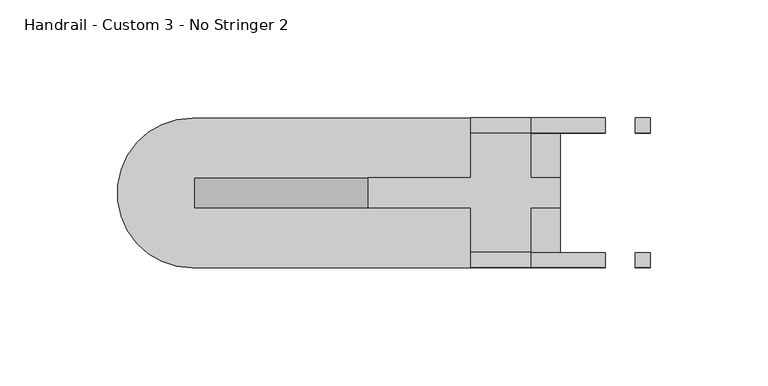
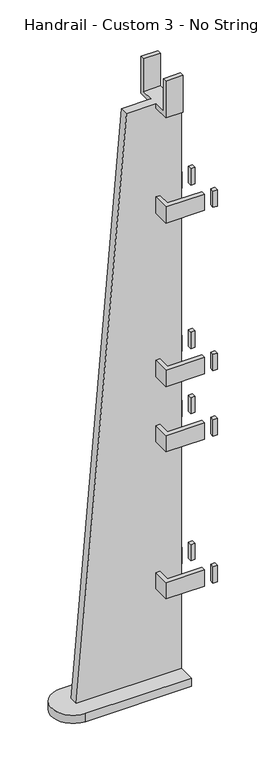
"""IFC4 building model written with IfcOpenShell, lengths in millimetres: railing geometry, Handrail - Custom 3 - No Stringer 2."""

from ifc_helpers import new_model, si_unit, frame, origin, place, context, project, spatial, circle_curve, faceted_brep, source, transform, mapped, element, save
from ifc_brep_helpers import plane_surface, cylinder_surface, advanced_brep


def handrail_custom_3_no_stringer_2_37a106b7(model_context):
    return source(origin(), model_context, "Body", "SolidModel", [
        advanced_brep(
        [(6940.6570471, 2633.7590883, 1073.0489048), (6984.0963422, 2633.7590883, 1073.0489048), (6984.0963422, 2633.7590883, 1066.6989048), (7009.4963422, 2633.7590883, 1066.6989048), (7009.4963422, 2633.7590883, 1073.0489048), (7022.1963422, 2633.7590883, 1073.0489048), (7022.1963422, 2633.7590883, 182.0333333), (6866.9573856, 2633.7590883, 182.0333333), (6984.0963422, 2633.7590883, 344.2001719), (6984.0963422, 2633.7590883, 318.8001719), (6990.4463422, 2633.7590883, 318.8001719), (6990.4463422, 2633.7590883, 344.2001719), (6984.0963422, 2633.7590883, 572.8001719), (6984.0963422, 2633.7590883, 547.4001719), (6990.4463422, 2633.7590883, 547.4001719), (6990.4463422, 2633.7590883, 572.8001719), (6984.0963422, 2633.7590883, 674.4001719), (6984.0963422, 2633.7590883, 649.0001719), (6990.4463422, 2633.7590883, 649.0001719), (6990.4463422, 2633.7590883, 674.4001719), (6984.0963422, 2633.7590883, 928.4001719), (6984.0963422, 2633.7590883, 903.0001719), (6990.4463422, 2633.7590883, 903.0001719), (6990.4463422, 2633.7590883, 928.4001719), (7022.1963422, 2621.0590883, 1073.0489048), (7009.4963422, 2621.0590883, 1073.0489048), (7009.4963422, 2621.0590883, 1066.6989048), (6984.0963422, 2621.0590883, 1066.6989048), (6984.0963422, 2621.0590883, 1073.0489048), (6940.6570471, 2621.0590883, 1073.0489048), (6866.9573856, 2621.0590883, 182.0333333), (7022.1963422, 2621.0590883, 182.0333333), (6990.4463422, 2621.0590883, 344.2001719), (6990.4463422, 2621.0590883, 318.8001719), (6984.0963422, 2621.0590883, 318.8001719), (6984.0963422, 2621.0590883, 344.2001719), (6990.4463422, 2621.0590883, 572.8001719), (6990.4463422, 2621.0590883, 547.4001719), (6984.0963422, 2621.0590883, 547.4001719), (6984.0963422, 2621.0590883, 572.8001719), (6990.4463422, 2621.0590883, 674.4001719), (6990.4463422, 2621.0590883, 649.0001719), (6984.0963422, 2621.0590883, 649.0001719), (6984.0963422, 2621.0590883, 674.4001719), (6990.4463422, 2621.0590883, 928.4001719), (6990.4463422, 2621.0590883, 903.0001719), (6984.0963422, 2621.0590883, 903.0001719), (6984.0963422, 2621.0590883, 928.4001719), (7009.4963422, 2652.8090883, 1073.0489048), (6984.0963422, 2652.8090883, 1073.0489048), (6984.0963422, 2602.0090883, 1073.0489048), (7009.4963422, 2602.0090883, 1073.0489048), (7022.1963422, 2659.1590883, 169.3333333), (7022.1963422, 2595.6590883, 169.3333333), (6865.9069149, 2595.6590883, 169.3333333), (6865.9069149, 2659.1590883, 169.3333333), (7022.1963422, 2595.6590883, 182.0333333), (7022.1963422, 2659.1590883, 182.0333333), (6865.9069149, 2659.1590883, 182.0333333), (6865.9069149, 2595.6590883, 182.0333333), (6990.4463422, 2652.8090883, 318.8001719), (7041.2463422, 2652.8090883, 318.8001719), (7041.2463422, 2652.8090883, 344.2001719), (6990.4463422, 2652.8090883, 344.2001719), (7041.2463422, 2659.1590883, 344.2001719), (6984.0963422, 2659.1590883, 344.2001719), (6984.0963422, 2595.6590883, 344.2001719), (7041.2463422, 2595.6590883, 344.2001719), (7041.2463422, 2602.0090883, 344.2001719), (6990.4463422, 2602.0090883, 344.2001719), (7041.2463422, 2659.1590883, 318.8001719), (6984.0963422, 2659.1590883, 318.8001719), (6990.4463422, 2602.0090883, 318.8001719), (7041.2463422, 2602.0090883, 318.8001719), (7041.2463422, 2595.6590883, 318.8001719), (6984.0963422, 2595.6590883, 318.8001719), (6990.4463422, 2652.8090883, 547.4001719), (7041.2463422, 2652.8090883, 547.4001719), (7041.2463422, 2652.8090883, 572.8001719), (6990.4463422, 2652.8090883, 572.8001719), (7041.2463422, 2659.1590883, 572.8001719), (6984.0963422, 2659.1590883, 572.8001719), (6984.0963422, 2595.6590883, 572.8001719), (7041.2463422, 2595.6590883, 572.8001719), (7041.2463422, 2602.0090883, 572.8001719), (6990.4463422, 2602.0090883, 572.8001719), (7041.2463422, 2659.1590883, 547.4001719), (6984.0963422, 2659.1590883, 547.4001719), (6990.4463422, 2602.0090883, 547.4001719), (7041.2463422, 2602.0090883, 547.4001719), (7041.2463422, 2595.6590883, 547.4001719), (6984.0963422, 2595.6590883, 547.4001719), (6990.4463422, 2652.8090883, 649.0001719), (7041.2463422, 2652.8090883, 649.0001719), (7041.2463422, 2652.8090883, 674.4001719), (6990.4463422, 2652.8090883, 674.4001719), (7041.2463422, 2659.1590883, 674.4001719), (6984.0963422, 2659.1590883, 674.4001719), (6984.0963422, 2595.6590883, 674.4001719), (7041.2463422, 2595.6590883, 674.4001719), (7041.2463422, 2602.0090883, 674.4001719), (6990.4463422, 2602.0090883, 674.4001719), (7041.2463422, 2659.1590883, 649.0001719), (6984.0963422, 2659.1590883, 649.0001719), (6990.4463422, 2602.0090883, 649.0001719), (7041.2463422, 2602.0090883, 649.0001719), (7041.2463422, 2595.6590883, 649.0001719), (6984.0963422, 2595.6590883, 649.0001719), (6990.4463422, 2652.8090883, 903.0001719), (7041.2463422, 2652.8090883, 903.0001719), (7041.2463422, 2652.8090883, 928.4001719), (6990.4463422, 2652.8090883, 928.4001719), (7041.2463422, 2659.1590883, 928.4001719), (6984.0963422, 2659.1590883, 928.4001719), (6984.0963422, 2595.6590883, 928.4001719), (7041.2463422, 2595.6590883, 928.4001719), (7041.2463422, 2602.0090883, 928.4001719), (6990.4463422, 2602.0090883, 928.4001719), (7041.2463422, 2659.1590883, 903.0001719), (6984.0963422, 2659.1590883, 903.0001719), (6990.4463422, 2602.0090883, 903.0001719), (7041.2463422, 2602.0090883, 903.0001719), (7041.2463422, 2595.6590883, 903.0001719), (6984.0963422, 2595.6590883, 903.0001719), (7009.4963422, 2659.1590883, 1066.6989048), (7009.4963422, 2659.1590883, 1123.8489048), (7009.4963422, 2652.8090883, 1123.8489048), (7009.4963422, 2602.0090883, 1123.8489048), (7009.4963422, 2595.6590883, 1123.8489048), (7009.4963422, 2595.6590883, 1066.6989048), (6984.0963422, 2652.8090883, 1123.8489048), (6984.0963422, 2659.1590883, 1123.8489048), (6984.0963422, 2659.1590883, 1066.6989048), (6984.0963422, 2595.6590883, 1066.6989048), (6984.0963422, 2595.6590883, 1123.8489048), (6984.0963422, 2602.0090883, 1123.8489048)],
        [
            (0, 1),
            (1, 2),
            (2, 3),
            (3, 4),
            (4, 5),
            (5, 6),
            (6, 7),
            (7, 0),
            (8, 9),
            (9, 10),
            (10, 11),
            (11, 8),
            (12, 13),
            (13, 14),
            (14, 15),
            (15, 12),
            (16, 17),
            (17, 18),
            (18, 19),
            (19, 16),
            (20, 21),
            (21, 22),
            (22, 23),
            (23, 20),
            (24, 25),
            (25, 26),
            (26, 27),
            (27, 28),
            (28, 29),
            (29, 30),
            (30, 31),
            (31, 24),
            (32, 33),
            (33, 34),
            (34, 35),
            (35, 32),
            (36, 37),
            (37, 38),
            (38, 39),
            (39, 36),
            (40, 41),
            (41, 42),
            (42, 43),
            (43, 40),
            (44, 45),
            (45, 46),
            (46, 47),
            (47, 44),
            (4, 48),
            (48, 49),
            (49, 1),
            (0, 29),
            (28, 50),
            (50, 51),
            (51, 25),
            (24, 5),
            (7, 30),
            (52, 53),
            (53, 54),
            (54, 55, circle_curve(frame((6865.9069149, 2627.4090883, 169.3333333), z_axis=(0.0, 0.0, -1.0), x_axis=(1.0, 0.0, 0.0)), 31.75)),
            (55, 52),
            (31, 56),
            (56, 53),
            (52, 57),
            (57, 6),
            (57, 58),
            (58, 59, circle_curve(frame((6865.9069149, 2627.4090883, 182.0333333), z_axis=(0.0, 0.0, 1.0), x_axis=(1.0, 0.0, 0.0)), 31.75)),
            (59, 56),
            (59, 54),
            (58, 55),
            (60, 61),
            (61, 62),
            (62, 63),
            (63, 60),
            (62, 64),
            (64, 65),
            (65, 8),
            (11, 63),
            (35, 66),
            (66, 67),
            (67, 68),
            (68, 69),
            (69, 32),
            (64, 70),
            (70, 71),
            (71, 65),
            (70, 61),
            (60, 10),
            (9, 71),
            (33, 72),
            (72, 73),
            (73, 74),
            (74, 75),
            (75, 34),
            (76, 77),
            (77, 78),
            (78, 79),
            (79, 76),
            (78, 80),
            (80, 81),
            (81, 12),
            (15, 79),
            (39, 82),
            (82, 83),
            (83, 84),
            (84, 85),
            (85, 36),
            (80, 86),
            (86, 87),
            (87, 81),
            (86, 77),
            (76, 14),
            (13, 87),
            (37, 88),
            (88, 89),
            (89, 90),
            (90, 91),
            (91, 38),
            (92, 93),
            (93, 94),
            (94, 95),
            (95, 92),
            (94, 96),
            (96, 97),
            (97, 16),
            (19, 95),
            (43, 98),
            (98, 99),
            (99, 100),
            (100, 101),
            (101, 40),
            (96, 102),
            (102, 103),
            (103, 97),
            (102, 93),
            (92, 18),
            (17, 103),
            (41, 104),
            (104, 105),
            (105, 106),
            (106, 107),
            (107, 42),
            (108, 109),
            (109, 110),
            (110, 111),
            (111, 108),
            (110, 112),
            (112, 113),
            (113, 20),
            (23, 111),
            (47, 114),
            (114, 115),
            (115, 116),
            (116, 117),
            (117, 44),
            (112, 118),
            (118, 119),
            (119, 113),
            (118, 109),
            (108, 22),
            (21, 119),
            (45, 120),
            (120, 121),
            (121, 122),
            (122, 123),
            (123, 46),
            (69, 72),
            (75, 66),
            (85, 88),
            (91, 82),
            (101, 104),
            (107, 98),
            (117, 120),
            (123, 114),
            (68, 73),
            (74, 67),
            (84, 89),
            (90, 83),
            (100, 105),
            (106, 99),
            (116, 121),
            (122, 115),
            (3, 124),
            (124, 125),
            (125, 126),
            (126, 48),
            (51, 127),
            (127, 128),
            (128, 129),
            (129, 26),
            (49, 130),
            (130, 131),
            (131, 132),
            (132, 2),
            (27, 133),
            (133, 134),
            (134, 135),
            (135, 50),
            (126, 130),
            (125, 131),
            (124, 132),
            (129, 133),
            (128, 134),
            (127, 135),
        ],
        [
            plane_surface(frame((7022.1963422, 2633.7590883, 1073.0489048), z_axis=(0.0, 1.0, 0.0), x_axis=(-1.0, 0.0, 0.0))),
            plane_surface(frame((7022.1963422, 2621.0590883, 1073.0489048), z_axis=(0.0, -1.0, 0.0), x_axis=(1.0, 0.0, 0.0))),
            plane_surface(frame((7022.1963422, 2633.7590883, 1073.0489048), z_axis=(0.0, 0.0, 1.0), x_axis=(0.0, -1.0, 0.0))),
            plane_surface(frame((6940.6570471, 2633.7590883, 1073.0489048), z_axis=(-0.9965966321302145, 0.0, 0.08243271696792498), x_axis=(0.0, -1.0, 0.0))),
            plane_surface(frame((6865.9069149, 2633.7590883, 169.3333333), z_axis=(0.0, 0.0, -1.0), x_axis=(0.0, -1.0, 0.0))),
            plane_surface(frame((7022.1963422, 2633.7590883, 169.3333333), z_axis=(1.0, 0.0, 0.0), x_axis=(0.0, -1.0, 0.0))),
            plane_surface(frame((7022.1963422, 2595.6590883, 182.0333333), z_axis=(0.0, 0.0, 1.0), x_axis=(-1.0, 0.0, 0.0))),
            plane_surface(frame((7022.1963422, 2595.6590883, 182.0333333), z_axis=(0.0, -1.0, 0.0), x_axis=(0.0, 0.0, -1.0))),
            cylinder_surface(frame((6865.9069149, 2627.4090883, 169.3333333), z_axis=(0.0, 0.0, 1.0), x_axis=(1.0, 0.0, 0.0)), 31.75),
            plane_surface(frame((6865.9069149, 2659.1590883, 182.0333333), z_axis=(0.0, 1.0, 0.0), x_axis=(0.0, 0.0, -1.0))),
            plane_surface(frame((7060.2963422, 2652.8090883, 318.8001719), z_axis=(0.0, -1.0, 0.0), x_axis=(-1.0, 0.0, 0.0))),
            plane_surface(frame((7060.2963422, 2652.8090883, 344.2001719), z_axis=(0.0, 0.0, 1.0), x_axis=(-1.0, 0.0, 0.0))),
            plane_surface(frame((7060.2963422, 2659.1590883, 344.2001719), z_axis=(0.0, 1.0, 0.0), x_axis=(-1.0, 0.0, 0.0))),
            plane_surface(frame((7060.2963422, 2659.1590883, 318.8001719), z_axis=(0.0, 0.0, -1.0), x_axis=(-1.0, 0.0, 0.0))),
            plane_surface(frame((7060.2963422, 2652.8090883, 547.4001719), z_axis=(0.0, -1.0, 0.0), x_axis=(-1.0, 0.0, 0.0))),
            plane_surface(frame((7060.2963422, 2652.8090883, 572.8001719), z_axis=(0.0, 0.0, 1.0), x_axis=(-1.0, 0.0, 0.0))),
            plane_surface(frame((7060.2963422, 2659.1590883, 572.8001719), z_axis=(0.0, 1.0, 0.0), x_axis=(-1.0, 0.0, 0.0))),
            plane_surface(frame((7060.2963422, 2659.1590883, 547.4001719), z_axis=(0.0, 0.0, -1.0), x_axis=(-1.0, 0.0, 0.0))),
            plane_surface(frame((7060.2963422, 2652.8090883, 649.0001719), z_axis=(0.0, -1.0, 0.0), x_axis=(-1.0, 0.0, 0.0))),
            plane_surface(frame((7060.2963422, 2652.8090883, 674.4001719), z_axis=(0.0, 0.0, 1.0), x_axis=(-1.0, 0.0, 0.0))),
            plane_surface(frame((7060.2963422, 2659.1590883, 674.4001719), z_axis=(0.0, 1.0, 0.0), x_axis=(-1.0, 0.0, 0.0))),
            plane_surface(frame((7060.2963422, 2659.1590883, 649.0001719), z_axis=(0.0, 0.0, -1.0), x_axis=(-1.0, 0.0, 0.0))),
            plane_surface(frame((7060.2963422, 2652.8090883, 903.0001719), z_axis=(0.0, -1.0, 0.0), x_axis=(-1.0, 0.0, 0.0))),
            plane_surface(frame((7060.2963422, 2652.8090883, 928.4001719), z_axis=(0.0, 0.0, 1.0), x_axis=(-1.0, 0.0, 0.0))),
            plane_surface(frame((7060.2963422, 2659.1590883, 928.4001719), z_axis=(0.0, 1.0, 0.0), x_axis=(-1.0, 0.0, 0.0))),
            plane_surface(frame((7060.2963422, 2659.1590883, 903.0001719), z_axis=(0.0, 0.0, -1.0), x_axis=(-1.0, 0.0, 0.0))),
            plane_surface(frame((6990.4463422, 2652.8090883, 318.8001719), z_axis=(1.0, 0.0, 0.0), x_axis=(0.0, -1.0, 0.0))),
            plane_surface(frame((6984.0963422, 2659.1590883, 344.2001719), z_axis=(-1.0, 0.0, 0.0), x_axis=(0.0, -1.0, 0.0))),
            plane_surface(frame((6990.4463422, 2652.8090883, 547.4001719), z_axis=(1.0, 0.0, 0.0), x_axis=(0.0, -1.0, 0.0))),
            plane_surface(frame((6984.0963422, 2659.1590883, 572.8001719), z_axis=(-1.0, 0.0, 0.0), x_axis=(0.0, -1.0, 0.0))),
            plane_surface(frame((6990.4463422, 2652.8090883, 649.0001719), z_axis=(1.0, 0.0, 0.0), x_axis=(0.0, -1.0, 0.0))),
            plane_surface(frame((6984.0963422, 2659.1590883, 674.4001719), z_axis=(-1.0, 0.0, 0.0), x_axis=(0.0, -1.0, 0.0))),
            plane_surface(frame((6990.4463422, 2652.8090883, 903.0001719), z_axis=(1.0, 0.0, 0.0), x_axis=(0.0, -1.0, 0.0))),
            plane_surface(frame((6984.0963422, 2659.1590883, 928.4001719), z_axis=(-1.0, 0.0, 0.0), x_axis=(0.0, -1.0, 0.0))),
            plane_surface(frame((6990.4463422, 2602.0090883, 318.8001719), z_axis=(0.0, 1.0, 0.0), x_axis=(1.0, 0.0, 0.0))),
            plane_surface(frame((6984.0963422, 2595.6590883, 344.2001719), z_axis=(0.0, -1.0, 0.0), x_axis=(1.0, 0.0, 0.0))),
            plane_surface(frame((6990.4463422, 2602.0090883, 547.4001719), z_axis=(0.0, 1.0, 0.0), x_axis=(1.0, 0.0, 0.0))),
            plane_surface(frame((6984.0963422, 2595.6590883, 572.8001719), z_axis=(0.0, -1.0, 0.0), x_axis=(1.0, 0.0, 0.0))),
            plane_surface(frame((6990.4463422, 2602.0090883, 649.0001719), z_axis=(0.0, 1.0, 0.0), x_axis=(1.0, 0.0, 0.0))),
            plane_surface(frame((6984.0963422, 2595.6590883, 674.4001719), z_axis=(0.0, -1.0, 0.0), x_axis=(1.0, 0.0, 0.0))),
            plane_surface(frame((6990.4463422, 2602.0090883, 903.0001719), z_axis=(0.0, 1.0, 0.0), x_axis=(1.0, 0.0, 0.0))),
            plane_surface(frame((6984.0963422, 2595.6590883, 928.4001719), z_axis=(0.0, -1.0, 0.0), x_axis=(1.0, 0.0, 0.0))),
            plane_surface(frame((7041.2463422, 2595.6590883, 1123.8489048), z_axis=(1.0, 0.0, 0.0), x_axis=(0.0, 0.0, -1.0))),
            plane_surface(frame((7009.4963422, 2652.8090883, 1123.8489048), z_axis=(1.0, 0.0, 0.0), x_axis=(0.0, 0.0, 1.0))),
            plane_surface(frame((6984.0963422, 2652.8090883, 1123.8489048), z_axis=(-1.0, 0.0, 0.0), x_axis=(0.0, 0.0, -1.0))),
            plane_surface(frame((7009.4963422, 2652.8090883, 1073.0489048), z_axis=(0.0, -1.0, 0.0), x_axis=(-1.0, 0.0, 0.0))),
            plane_surface(frame((7009.4963422, 2652.8090883, 1123.8489048), z_axis=(0.0, 0.0, 1.0), x_axis=(-1.0, 0.0, 0.0))),
            plane_surface(frame((7009.4963422, 2659.1590883, 1123.8489048), z_axis=(0.0, 1.0, 0.0), x_axis=(-1.0, 0.0, 0.0))),
            plane_surface(frame((7009.4963422, 2659.1590883, 1066.6989048), z_axis=(0.0, 0.0, -1.0), x_axis=(-1.0, 0.0, 0.0))),
            plane_surface(frame((7009.4963422, 2621.0590883, 1066.6989048), z_axis=(0.0, 0.0, -1.0), x_axis=(-1.0, 0.0, 0.0))),
            plane_surface(frame((7009.4963422, 2595.6590883, 1066.6989048), z_axis=(0.0, -1.0, 0.0), x_axis=(-1.0, 0.0, 0.0))),
            plane_surface(frame((7009.4963422, 2595.6590883, 1123.8489048), z_axis=(0.0, 0.0, 1.0), x_axis=(-1.0, 0.0, 0.0))),
            plane_surface(frame((7009.4963422, 2602.0090883, 1123.8489048), z_axis=(0.0, 1.0, 0.0), x_axis=(-1.0, 0.0, 0.0))),
        ],
        [
            (0, [[1, 2, 3, 4, 5, 6, 7, 8], [9, 10, 11, 12], [13, 14, 15, 16], [17, 18, 19, 20], [21, 22, 23, 24]]),
            (1, [[25, 26, 27, 28, 29, 30, 31, 32], [33, 34, 35, 36], [37, 38, 39, 40], [41, 42, 43, 44], [45, 46, 47, 48]]),
            (2, [[-5, 49, 50, 51, -1, 52, -29, 53, 54, 55, -25, 56]]),
            (3, [[-8, 57, -30, -52]]),
            (4, [[58, 59, 60, 61]]),
            (5, [[-32, 62, 63, -58, 64, 65, -6, -56]]),
            (6, [[-62, -31, -57, -7, -65, 66, 67, 68]]),
            (7, [[69, -59, -63, -68]]),
            (8, [[70, -60, -69, -67]]),
            (9, [[-64, -61, -70, -66]]),
            (10, [[71, 72, 73, 74]]),
            (11, [[-73, 75, 76, 77, -12, 78]]),
            (11, [[-36, 79, 80, 81, 82, 83]]),
            (12, [[-76, 84, 85, 86]]),
            (13, [[-85, 87, -71, 88, -10, 89]]),
            (13, [[-34, 90, 91, 92, 93, 94]]),
            (14, [[95, 96, 97, 98]]),
            (15, [[-97, 99, 100, 101, -16, 102]]),
            (15, [[-40, 103, 104, 105, 106, 107]]),
            (16, [[-100, 108, 109, 110]]),
            (17, [[-109, 111, -95, 112, -14, 113]]),
            (17, [[-38, 114, 115, 116, 117, 118]]),
            (18, [[119, 120, 121, 122]]),
            (19, [[-121, 123, 124, 125, -20, 126]]),
            (19, [[-44, 127, 128, 129, 130, 131]]),
            (20, [[-124, 132, 133, 134]]),
            (21, [[-133, 135, -119, 136, -18, 137]]),
            (21, [[-42, 138, 139, 140, 141, 142]]),
            (22, [[143, 144, 145, 146]]),
            (23, [[-145, 147, 148, 149, -24, 150]]),
            (23, [[-48, 151, 152, 153, 154, 155]]),
            (24, [[-148, 156, 157, 158]]),
            (25, [[-157, 159, -143, 160, -22, 161]]),
            (25, [[-46, 162, 163, 164, 165, 166]]),
            (26, [[-78, -11, -88, -74]]),
            (26, [[-90, -33, -83, 167]]),
            (27, [[-89, -9, -77, -86]]),
            (27, [[-79, -35, -94, 168]]),
            (28, [[-102, -15, -112, -98]]),
            (28, [[-114, -37, -107, 169]]),
            (29, [[-113, -13, -101, -110]]),
            (29, [[-103, -39, -118, 170]]),
            (30, [[-126, -19, -136, -122]]),
            (30, [[-138, -41, -131, 171]]),
            (31, [[-137, -17, -125, -134]]),
            (31, [[-127, -43, -142, 172]]),
            (32, [[-150, -23, -160, -146]]),
            (32, [[-162, -45, -155, 173]]),
            (33, [[-161, -21, -149, -158]]),
            (33, [[-151, -47, -166, 174]]),
            (34, [[-82, 175, -91, -167]]),
            (35, [[-93, 176, -80, -168]]),
            (36, [[-106, 177, -115, -169]]),
            (37, [[-117, 178, -104, -170]]),
            (38, [[-130, 179, -139, -171]]),
            (39, [[-141, 180, -128, -172]]),
            (40, [[-154, 181, -163, -173]]),
            (41, [[-165, 182, -152, -174]]),
            (42, [[-87, -84, -75, -72]]),
            (42, [[-176, -92, -175, -81]]),
            (42, [[-111, -108, -99, -96]]),
            (42, [[-178, -116, -177, -105]]),
            (42, [[-135, -132, -123, -120]]),
            (42, [[-180, -140, -179, -129]]),
            (42, [[-159, -156, -147, -144]]),
            (42, [[-182, -164, -181, -153]]),
            (43, [[-49, -4, 183, 184, 185, 186]]),
            (43, [[187, 188, 189, 190, -26, -55]]),
            (44, [[191, 192, 193, 194, -2, -51]]),
            (44, [[-53, -28, 195, 196, 197, 198]]),
            (45, [[199, -191, -50, -186]]),
            (46, [[200, -192, -199, -185]]),
            (47, [[201, -193, -200, -184]]),
            (48, [[-3, -194, -201, -183]]),
            (49, [[202, -195, -27, -190]]),
            (50, [[203, -196, -202, -189]]),
            (51, [[204, -197, -203, -188]]),
            (52, [[-54, -198, -204, -187]]),
        ],
    ),
        faceted_brep([(7060.2963422, 2652.8090883, 318.8001719), (7060.2963422, 2659.1590883, 318.8001719), (7060.2963422, 2659.1590883, 344.2001719), (7060.2963422, 2652.8090883, 344.2001719), (7053.9463422, 2652.8090883, 344.2001719), (7053.9463422, 2652.8090883, 318.8001719), (7053.9463422, 2659.1590883, 344.2001719), (7053.9463422, 2659.1590883, 318.8001719)], [[[0, 1, 2, 3]], [[3, 4, 5, 0]], [[2, 6, 4, 3]], [[1, 7, 6, 2]], [[0, 5, 7, 1]], [[4, 6, 7, 5]]]),
        faceted_brep([(7060.2963422, 2652.8090883, 547.4001719), (7060.2963422, 2659.1590883, 547.4001719), (7060.2963422, 2659.1590883, 572.8001719), (7060.2963422, 2652.8090883, 572.8001719), (7053.9463422, 2652.8090883, 572.8001719), (7053.9463422, 2652.8090883, 547.4001719), (7053.9463422, 2659.1590883, 572.8001719), (7053.9463422, 2659.1590883, 547.4001719)], [[[0, 1, 2, 3]], [[3, 4, 5, 0]], [[2, 6, 4, 3]], [[1, 7, 6, 2]], [[0, 5, 7, 1]], [[4, 6, 7, 5]]]),
        faceted_brep([(7060.2963422, 2652.8090883, 649.0001719), (7060.2963422, 2659.1590883, 649.0001719), (7060.2963422, 2659.1590883, 674.4001719), (7060.2963422, 2652.8090883, 674.4001719), (7053.9463422, 2652.8090883, 674.4001719), (7053.9463422, 2652.8090883, 649.0001719), (7053.9463422, 2659.1590883, 674.4001719), (7053.9463422, 2659.1590883, 649.0001719)], [[[0, 1, 2, 3]], [[3, 4, 5, 0]], [[2, 6, 4, 3]], [[1, 7, 6, 2]], [[0, 5, 7, 1]], [[4, 6, 7, 5]]]),
        faceted_brep([(7060.2963422, 2652.8090883, 903.0001719), (7060.2963422, 2659.1590883, 903.0001719), (7060.2963422, 2659.1590883, 928.4001719), (7060.2963422, 2652.8090883, 928.4001719), (7053.9463422, 2652.8090883, 928.4001719), (7053.9463422, 2652.8090883, 903.0001719), (7053.9463422, 2659.1590883, 928.4001719), (7053.9463422, 2659.1590883, 903.0001719)], [[[0, 1, 2, 3]], [[3, 4, 5, 0]], [[2, 6, 4, 3]], [[1, 7, 6, 2]], [[0, 5, 7, 1]], [[4, 6, 7, 5]]]),
        faceted_brep([(7060.2963422, 2602.0090883, 344.2001719), (7053.9463422, 2602.0090883, 344.2001719), (7053.9463422, 2595.6590883, 344.2001719), (7060.2963422, 2595.6590883, 344.2001719), (7060.2963422, 2595.6590883, 318.8001719), (7053.9463422, 2595.6590883, 318.8001719), (7053.9463422, 2602.0090883, 318.8001719), (7060.2963422, 2602.0090883, 318.8001719)], [[[0, 1, 2, 3]], [[4, 5, 6, 7]], [[3, 4, 7, 0]], [[7, 6, 1, 0]], [[3, 2, 5, 4]], [[1, 6, 5, 2]]]),
        faceted_brep([(7060.2963422, 2602.0090883, 572.8001719), (7053.9463422, 2602.0090883, 572.8001719), (7053.9463422, 2595.6590883, 572.8001719), (7060.2963422, 2595.6590883, 572.8001719), (7060.2963422, 2595.6590883, 547.4001719), (7053.9463422, 2595.6590883, 547.4001719), (7053.9463422, 2602.0090883, 547.4001719), (7060.2963422, 2602.0090883, 547.4001719)], [[[0, 1, 2, 3]], [[4, 5, 6, 7]], [[3, 4, 7, 0]], [[7, 6, 1, 0]], [[3, 2, 5, 4]], [[1, 6, 5, 2]]]),
        faceted_brep([(7060.2963422, 2602.0090883, 674.4001719), (7053.9463422, 2602.0090883, 674.4001719), (7053.9463422, 2595.6590883, 674.4001719), (7060.2963422, 2595.6590883, 674.4001719), (7060.2963422, 2595.6590883, 649.0001719), (7053.9463422, 2595.6590883, 649.0001719), (7053.9463422, 2602.0090883, 649.0001719), (7060.2963422, 2602.0090883, 649.0001719)], [[[0, 1, 2, 3]], [[4, 5, 6, 7]], [[3, 4, 7, 0]], [[7, 6, 1, 0]], [[3, 2, 5, 4]], [[1, 6, 5, 2]]]),
        faceted_brep([(7060.2963422, 2602.0090883, 928.4001719), (7053.9463422, 2602.0090883, 928.4001719), (7053.9463422, 2595.6590883, 928.4001719), (7060.2963422, 2595.6590883, 928.4001719), (7060.2963422, 2595.6590883, 903.0001719), (7053.9463422, 2595.6590883, 903.0001719), (7053.9463422, 2602.0090883, 903.0001719), (7060.2963422, 2602.0090883, 903.0001719)], [[[0, 1, 2, 3]], [[4, 5, 6, 7]], [[3, 4, 7, 0]], [[7, 6, 1, 0]], [[3, 2, 5, 4]], [[1, 6, 5, 2]]]),
    ])


if __name__ == "__main__":
    model = new_model("IFC4")
    model_context = context("Model", 3, world=origin())
    ifc_project = project(units=[si_unit("LENGTHUNIT", "METRE", prefix="MILLI")], contexts=[model_context])
    site = spatial("IfcSite", under=ifc_project)
    building = spatial("IfcBuilding", under=site)
    placement = place(None, origin())
    handrail_custom_3_no_stringer_2_shape = handrail_custom_3_no_stringer_2_37a106b7(model_context)
    element("IfcRailing", 1, ObjectType="Handrail - Custom 3 - No Stringer 2", at=placement, inside=building, context=model_context, shape_type="MappedRepresentation", body=[
        mapped(handrail_custom_3_no_stringer_2_shape, transform((0.0, 0.0, 0.0), x_axis=(1.0, 0.0, 0.0), y_axis=(0.0, 1.0, 0.0), z_axis=(0.0, 0.0, 1.0))),
    ])
    save(model, "model.ifc")
